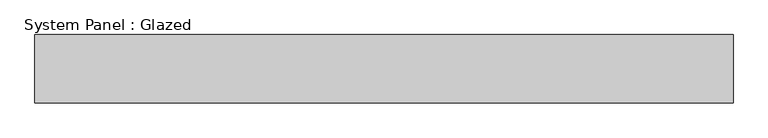
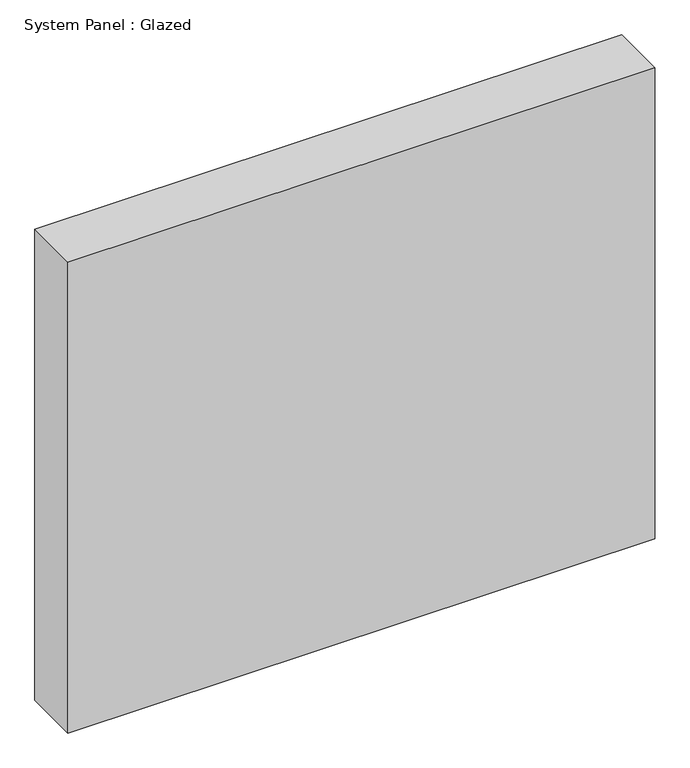
"""IFC4 building model written with IfcOpenShell, lengths in millimetres: plate geometry, System Panel : Glazed."""

from ifc_helpers import new_model, si_unit, origin, origin_with_axes, place, context, project, spatial, polyline, outline, extrude, source, transform, mapped, element, save


def system_panel_glazed_e540c79c(model_context):
    return source(origin(), model_context, "Body", "SweptSolid", [
        extrude(outline(polyline([(512.5, 50.0), (-512.5, 50.0), (-512.5, 150.0), (512.5, 150.0), (512.5, 50.0)])), origin_with_axes(), (0.0, 0.0, 1.0), 870.0),
    ])


if __name__ == "__main__":
    model = new_model("IFC4")
    model_context = context("Model", 3, world=origin())
    ifc_project = project(units=[si_unit("LENGTHUNIT", "METRE", prefix="MILLI")], contexts=[model_context])
    site = spatial("IfcSite", under=ifc_project)
    building = spatial("IfcBuilding", under=site)
    placement = place(None, origin())
    system_panel_glazed_shape = system_panel_glazed_e540c79c(model_context)
    element("IfcPlate", 1, ObjectType="System Panel : Glazed", at=placement, inside=building, context=model_context, shape_type="MappedRepresentation", body=[
        mapped(system_panel_glazed_shape, transform((0.0, 0.0, 0.0), x_axis=(1.0, 0.0, 0.0), y_axis=(0.0, 1.0, 0.0), z_axis=(0.0, 0.0, 1.0))),
    ])
    save(model, "model.ifc")
